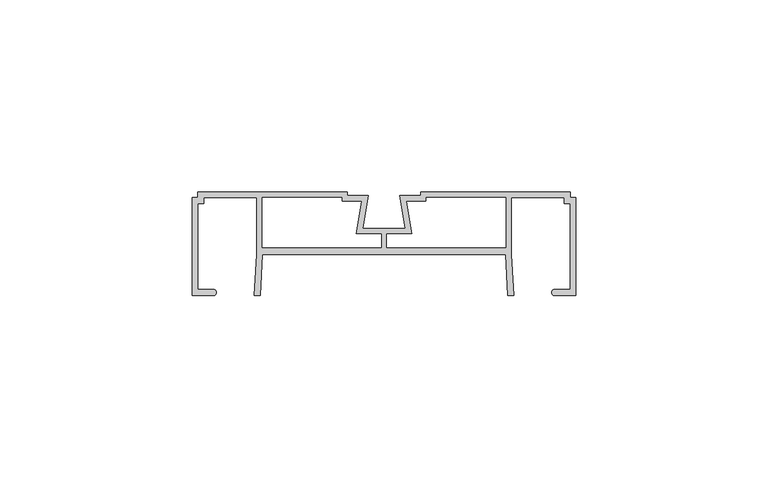
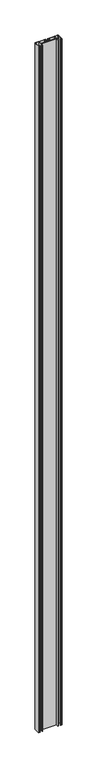
"""IFC4 building model written with IfcOpenShell, lengths in millimetres: proxy geometry."""

import ifcopenshell
import ifcopenshell.guid

model = None  # the IFC model being written
_history = None  # IfcOwnerHistory: only IFC2X3 demands one
_inside = {}  # id of a spatial element -> (the spatial element, [elements in it])
_under = {}  # id of a project, library or spatial element -> (it, [spatial elements below it])
_declared = {}  # id of a project -> (the project, [libraries it declares])
_typed = {}  # id of a type object -> (the type object, [elements of that type])
_made_of = {}  # id of a material, layer set ... -> (it, [elements and type objects made of it])


def new_model(schema):
    """Start an empty IFC model of exactly this schema.

    Asked for "IFC4X3", IfcOpenShell would pick the latest addendum, in which some entities
    have other attributes; the version numbers below select the first issue.
    IFC2X3 requires an IfcOwnerHistory on every rooted entity: one is made here for all.
    """
    global model, _history
    if schema == "IFC4X3":
        model = ifcopenshell.file(schema_version=(4, 3, 0, 0))
    else:
        model = ifcopenshell.file(schema=schema)
    _inside.clear()
    _under.clear()
    _declared.clear()
    _typed.clear()
    _made_of.clear()
    _history = None
    if model.schema == "IFC2X3":
        org = make("IfcOrganization", Name="unknown")
        user = make(
            "IfcPersonAndOrganization",
            ThePerson=make("IfcPerson", FamilyName="unknown"),
            TheOrganization=org,
        )
        app = make(
            "IfcApplication",
            ApplicationDeveloper=org,
            Version="unknown",
            ApplicationFullName="unknown",
            ApplicationIdentifier="unknown",
        )
        _history = make(
            "IfcOwnerHistory",
            OwningUser=user,
            OwningApplication=app,
            ChangeAction="ADDED",
            CreationDate=0,
        )
    return model


def make(cls, **values):
    """One entity of the class cls with the attributes given. An attribute that is None is left unset."""
    return model.create_entity(
        cls, **{name: value for name, value in values.items() if value is not None}
    )


def rooted(cls, **values):
    """An entity with a GlobalId (a new one), such as an element, a storey or a relation."""
    return make(cls, GlobalId=ifcopenshell.guid.new(), OwnerHistory=_history, **values)


def si_unit(unit_type, name, prefix=None):
    """IfcSIUnit, for example si_unit("LENGTHUNIT", "METRE", prefix="MILLI")."""
    return make("IfcSIUnit", UnitType=unit_type, Prefix=prefix, Name=name)


def assignment(units):
    """IfcUnitAssignment: the units of a project."""
    return None if units is None else make("IfcUnitAssignment", Units=units)


def point(xyz):
    """IfcCartesianPoint."""
    return None if xyz is None else make("IfcCartesianPoint", Coordinates=xyz)


def direction(xyz):
    """IfcDirection."""
    return None if xyz is None else make("IfcDirection", DirectionRatios=xyz)


def frame(location, z_axis=None, x_axis=None):
    """IfcAxis2Placement3D, a coordinate frame: its origin and axes. An axis left out is left unset."""
    return make(
        "IfcAxis2Placement3D",
        Location=point(location),
        Axis=direction(z_axis),
        RefDirection=direction(x_axis),
    )


def frame_2d(location, x_axis=None):
    """IfcAxis2Placement2D, a coordinate frame in the plane: its origin and x axis."""
    return make(
        "IfcAxis2Placement2D", Location=point(location), RefDirection=direction(x_axis)
    )


def origin():
    """The frame at (0, 0, 0) with its axes left unset."""
    return frame((0.0, 0.0, 0.0))


def origin_with_axes():
    """The frame at (0, 0, 0) with the z axis (0, 0, 1) and the x axis (1, 0, 0) written out."""
    return frame((0.0, 0.0, 0.0), z_axis=(0.0, 0.0, 1.0), x_axis=(1.0, 0.0, 0.0))


def place(relative_to, where):
    """IfcLocalPlacement: puts the frame where relative to a parent placement (None: the world)."""
    return make(
        "IfcLocalPlacement", PlacementRelTo=relative_to, RelativePlacement=where
    )


def context(
    kind, dimensions, precision=None, world=None, true_north=None, identifier=None
):
    """IfcGeometricRepresentationContext, for example the 3D "Model" context."""
    return make(
        "IfcGeometricRepresentationContext",
        ContextIdentifier=identifier,
        ContextType=kind,
        CoordinateSpaceDimension=dimensions,
        Precision=precision,
        WorldCoordinateSystem=world,
        TrueNorth=true_north,
    )


def project(units=None, contexts=None):
    """IfcProject with its units and contexts."""
    return rooted(
        "IfcProject",
        Name="project",
        RepresentationContexts=contexts,
        UnitsInContext=assignment(units),
    )


def spatial(cls, under=None, at=None, **own):
    """A site, building, storey or space (cls), placed at a placement, below another one or the project."""
    s = rooted(cls, ObjectPlacement=at, **own)
    if under is not None:
        _under.setdefault(under.id(), (under, []))[1].append(s)
    return s


def polyline(points):
    """IfcPolyline through the points."""
    return make("IfcPolyline", Points=[point(p) for p in points])


def circle_curve(where, radius):
    """IfcCircle in the frame where."""
    return make("IfcCircle", Position=where, Radius=radius)


def trimmed(basis, trim1, trim2, sense, master):
    """IfcTrimmedCurve: the piece of a basis curve between two trims."""
    return make(
        "IfcTrimmedCurve",
        BasisCurve=basis,
        Trim1=trim1,
        Trim2=trim2,
        SenseAgreement=sense,
        MasterRepresentation=master,
    )


def segment(curve, same_sense, transition):
    """IfcCompositeCurveSegment."""
    return make(
        "IfcCompositeCurveSegment",
        Transition=transition,
        SameSense=same_sense,
        ParentCurve=curve,
    )


def composite_curve(segments, self_intersect=None):
    """IfcCompositeCurve: segments joined end to end."""
    return make("IfcCompositeCurve", Segments=segments, SelfIntersect=self_intersect)


def outline(outer, holes=None, kind="AREA"):
    """IfcArbitraryClosedProfileDef: a profile drawn as a closed curve; with holes, ...WithVoids."""
    if holes is None:
        return make("IfcArbitraryClosedProfileDef", ProfileType=kind, OuterCurve=outer)
    return make(
        "IfcArbitraryProfileDefWithVoids",
        ProfileType=kind,
        OuterCurve=outer,
        InnerCurves=holes,
    )


def extrude(swept, where, along, depth):
    """IfcExtrudedAreaSolid: the profile swept, set in the frame where, extruded along a direction by depth."""
    return make(
        "IfcExtrudedAreaSolid",
        SweptArea=swept,
        Position=where,
        ExtrudedDirection=direction(along),
        Depth=depth,
    )


def shape(context_of_items, identifier, shape_type, items):
    """IfcShapeRepresentation: the items that make up one representation, for example the "Body"."""
    return make(
        "IfcShapeRepresentation",
        ContextOfItems=context_of_items,
        RepresentationIdentifier=identifier,
        RepresentationType=shape_type,
        Items=items,
    )


def source(mapping_origin, context_of_items, identifier, shape_type, items):
    """IfcRepresentationMap: a shape defined once, which mapped items show again and again."""
    return make(
        "IfcRepresentationMap",
        MappingOrigin=mapping_origin,
        MappedRepresentation=shape(context_of_items, identifier, shape_type, items),
    )


def transform(
    local_origin,
    x_axis=None,
    y_axis=None,
    z_axis=None,
    scale=None,
    scale2=None,
    scale3=None,
    uniform=True,
):
    """IfcCartesianTransformationOperator3D, or its non-uniform kind. x_axis, y_axis, z_axis: its Axis1, 2, 3."""
    if uniform:
        return make(
            "IfcCartesianTransformationOperator3D",
            Axis1=direction(x_axis),
            Axis2=direction(y_axis),
            LocalOrigin=point(local_origin),
            Scale=scale,
            Axis3=direction(z_axis),
        )
    return make(
        "IfcCartesianTransformationOperator3DnonUniform",
        Axis1=direction(x_axis),
        Axis2=direction(y_axis),
        LocalOrigin=point(local_origin),
        Scale=scale,
        Axis3=direction(z_axis),
        Scale2=scale2,
        Scale3=scale3,
    )


def mapped(mapping_source, mapping_target):
    """IfcMappedItem: shows the shape of a source again, moved by a transform."""
    return make(
        "IfcMappedItem", MappingSource=mapping_source, MappingTarget=mapping_target
    )


def made_of(thing, what):
    """Note that an element or type object is made of a material, layer set ...; save() writes the relation."""
    if what is not None:
        _made_of.setdefault(what.id(), (what, []))[1].append(thing)
    return thing


def element(
    cls,
    number,
    at=None,
    inside=None,
    cuts=None,
    type_object=None,
    material=None,
    context=None,
    identifier="Body",
    shape_type=None,
    held_by="IfcProductDefinitionShape",
    body=None,
    shapes=None,
    **own,
):
    """One element of the class cls, such as IfcWall. Its Tag is "e" and its number.

    at: its placement. inside: the storey or other place that contains it. cuts: it is an
    opening in that element (IfcRelVoidsElement). A single representation is given by context,
    identifier, shape_type and body (its items); several are given by shapes. held_by: the class
    of the entity that holds the representations. save() writes the other relations.
    """
    e = rooted(cls, Tag="e%d" % number, ObjectPlacement=at, **own)
    if body is not None:
        shapes = [shape(context, identifier, shape_type, body)]
    if shapes is not None:
        e.Representation = make(held_by, Representations=shapes)
    if inside is not None:
        _inside.setdefault(inside.id(), (inside, []))[1].append(e)
    if cuts is not None:
        rooted(
            "IfcRelVoidsElement", RelatingBuildingElement=cuts, RelatedOpeningElement=e
        )
    if type_object is not None:
        _typed.setdefault(type_object.id(), (type_object, []))[1].append(e)
    return made_of(e, material)


def aggregate(whole, parts):
    """IfcRelAggregates: a whole, such as a stair, and the parts it consists of."""
    return rooted("IfcRelAggregates", RelatingObject=whole, RelatedObjects=parts)


def save(model, path):
    """Write the relations noted so far, then the file.

    IfcRelAggregates (storeys below a building ...), IfcRelContainedInSpatialStructure (elements
    in a storey), IfcRelDefinesByType, IfcRelAssociatesMaterial and IfcRelDeclares: one each for
    every whole, place, type object, material and project.
    """
    for whole, parts in _under.values():
        aggregate(whole, parts)
    for where, things in _inside.values():
        rooted(
            "IfcRelContainedInSpatialStructure",
            RelatedElements=things,
            RelatingStructure=where,
        )
    for kind, things in _typed.values():
        rooted("IfcRelDefinesByType", RelatedObjects=things, RelatingType=kind)
    for what, things in _made_of.values():
        rooted("IfcRelAssociatesMaterial", RelatedObjects=things, RelatingMaterial=what)
    for by, libraries in _declared.values():
        rooted("IfcRelDeclares", RelatingContext=by, RelatedDefinitions=libraries)
    model.write(path)


def specialty_equipment_8b8a6108(model_context):
    return source(origin(), model_context, "Body", "SweptSolid", [
        extrude(outline(composite_curve([segment(polyline([(-49.9999982, -27.0274064), (-49.9999982, -1.5239996), (-48.4759983, -1.5239996), (-48.4759983, 0.0), (-9.5249993, 0.0), (-9.5249993, -0.9689157), (-4.0639995, -0.9689157), (-5.5726679, -9.5249994), (5.5726679, -9.5249994), (4.0639995, -0.9689157), (9.5249993, -0.9689157), (9.5249993, 0.0), (48.4759983, 0.0), (48.4759983, -1.5239996), (49.9999982, -1.5239996), (49.9999982, -27.0274064), (44.4119984, -27.0274064)]), True, "CONTINUOUS"), segment(trimmed(circle_curve(frame_2d((44.4119984, -26.2654064)), 0.762), [point((44.4119984, -27.0274064))], [point((44.4119984, -25.5034065))], False, "CARTESIAN"), True, "CONTINUOUS"), segment(polyline([(44.4119984, -25.5034065), (48.4759983, -25.5034065), (48.4759983, -3.0479996), (46.9352975, -3.0479996), (46.9352975, -1.5239996), (33.1856208, -1.5239996), (33.1856208, -16.3375625), (33.7444259, -27.000199), (32.2225146, -27.079959), (31.6610987, -16.3675066), (-31.6610987, -16.3675066), (-32.2225146, -27.079959), (-33.7444259, -27.000199), (-33.1856208, -16.3375625), (-33.1856208, -1.5239996), (-46.9352975, -1.5239996), (-46.9352975, -3.0479996), (-48.4759983, -3.0479996), (-48.4759983, -25.5034065), (-44.4119984, -25.5034065)]), True, "CONTINUOUS"), segment(trimmed(circle_curve(frame_2d((-44.4119984, -26.2654064)), 0.762), [point((-44.4119984, -25.5034065))], [point((-44.4119984, -27.0274064))], False, "CARTESIAN"), True, "CONTINUOUS"), segment(polyline([(-44.4119984, -27.0274064), (-49.9999982, -27.0274064)]), True, "CONTINUOUS")], self_intersect=False), holes=[polyline([(-0.7619996, -11.0489994), (-7.3889003, -11.0489994), (-5.8802319, -2.4929156), (-11.0489993, -2.4929156), (-11.0489993, -1.5239996), (-31.6610987, -1.5239996), (-31.6610987, -14.4625067), (-0.7619996, -14.4625067), (-0.7619996, -11.0489994)]), polyline([(0.7619996, -11.0489994), (0.7619996, -14.4625067), (31.6610987, -14.4625067), (31.6610987, -1.5239996), (11.0489993, -1.5239996), (11.0489993, -2.4929156), (5.8802319, -2.4929156), (7.3889003, -11.0489994), (0.7619996, -11.0489994)])]), origin_with_axes(), (0.0, 0.0, 1.0), 3048.0),
    ])


if __name__ == "__main__":
    model = new_model("IFC4")
    model_context = context("Model", 3, world=origin())
    ifc_project = project(units=[si_unit("LENGTHUNIT", "METRE", prefix="MILLI")], contexts=[model_context])
    site = spatial("IfcSite", under=ifc_project)
    building = spatial("IfcBuilding", under=site)
    placement = place(None, origin())
    specialty_equipment_shape = specialty_equipment_8b8a6108(model_context)
    element("IfcBuildingElementProxy", 1, Name="Specialty Equipment", at=placement, inside=building, context=model_context, shape_type="MappedRepresentation", body=[
        mapped(specialty_equipment_shape, transform((0.0, 0.0, 0.0), x_axis=(1.0, 0.0, 0.0), y_axis=(0.0, 1.0, 0.0), z_axis=(0.0, 0.0, 1.0))),
    ])
    save(model, "model.ifc")
